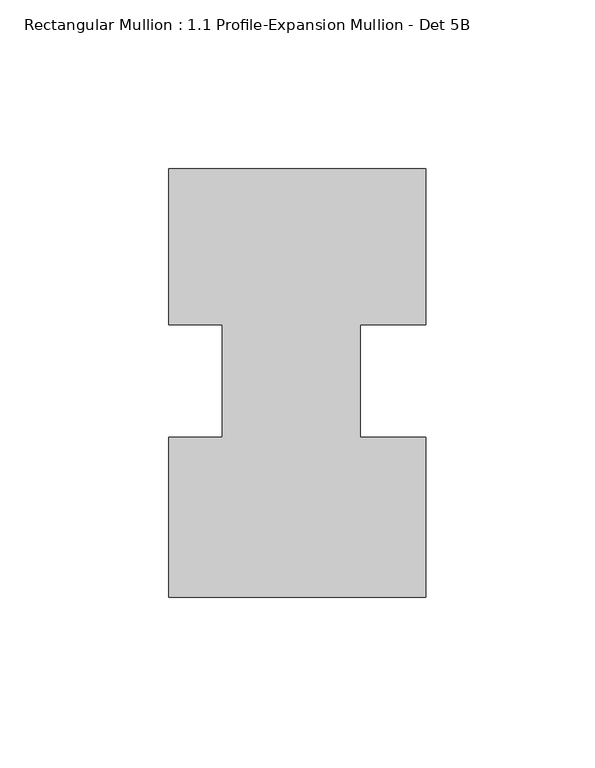
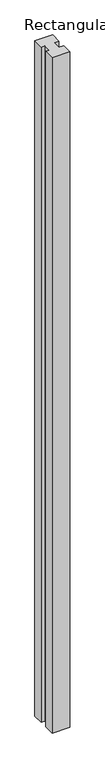
"""IFC4 building model written with IfcOpenShell, lengths in millimetres: member geometry, Rectangular Mullion : 1.1 Profile-Expansion Mullion - Det 5B."""

import ifcopenshell
import ifcopenshell.guid

model = None  # the IFC model being written
_history = None  # IfcOwnerHistory: only IFC2X3 demands one
_inside = {}  # id of a spatial element -> (the spatial element, [elements in it])
_under = {}  # id of a project, library or spatial element -> (it, [spatial elements below it])
_declared = {}  # id of a project -> (the project, [libraries it declares])
_typed = {}  # id of a type object -> (the type object, [elements of that type])
_made_of = {}  # id of a material, layer set ... -> (it, [elements and type objects made of it])


def new_model(schema):
    """Start an empty IFC model of exactly this schema.

    Asked for "IFC4X3", IfcOpenShell would pick the latest addendum, in which some entities
    have other attributes; the version numbers below select the first issue.
    IFC2X3 requires an IfcOwnerHistory on every rooted entity: one is made here for all.
    """
    global model, _history
    if schema == "IFC4X3":
        model = ifcopenshell.file(schema_version=(4, 3, 0, 0))
    else:
        model = ifcopenshell.file(schema=schema)
    _inside.clear()
    _under.clear()
    _declared.clear()
    _typed.clear()
    _made_of.clear()
    _history = None
    if model.schema == "IFC2X3":
        org = make("IfcOrganization", Name="unknown")
        user = make(
            "IfcPersonAndOrganization",
            ThePerson=make("IfcPerson", FamilyName="unknown"),
            TheOrganization=org,
        )
        app = make(
            "IfcApplication",
            ApplicationDeveloper=org,
            Version="unknown",
            ApplicationFullName="unknown",
            ApplicationIdentifier="unknown",
        )
        _history = make(
            "IfcOwnerHistory",
            OwningUser=user,
            OwningApplication=app,
            ChangeAction="ADDED",
            CreationDate=0,
        )
    return model


def make(cls, **values):
    """One entity of the class cls with the attributes given. An attribute that is None is left unset."""
    return model.create_entity(
        cls, **{name: value for name, value in values.items() if value is not None}
    )


def rooted(cls, **values):
    """An entity with a GlobalId (a new one), such as an element, a storey or a relation."""
    return make(cls, GlobalId=ifcopenshell.guid.new(), OwnerHistory=_history, **values)


def si_unit(unit_type, name, prefix=None):
    """IfcSIUnit, for example si_unit("LENGTHUNIT", "METRE", prefix="MILLI")."""
    return make("IfcSIUnit", UnitType=unit_type, Prefix=prefix, Name=name)


def assignment(units):
    """IfcUnitAssignment: the units of a project."""
    return None if units is None else make("IfcUnitAssignment", Units=units)


def point(xyz):
    """IfcCartesianPoint."""
    return None if xyz is None else make("IfcCartesianPoint", Coordinates=xyz)


def direction(xyz):
    """IfcDirection."""
    return None if xyz is None else make("IfcDirection", DirectionRatios=xyz)


def frame(location, z_axis=None, x_axis=None):
    """IfcAxis2Placement3D, a coordinate frame: its origin and axes. An axis left out is left unset."""
    return make(
        "IfcAxis2Placement3D",
        Location=point(location),
        Axis=direction(z_axis),
        RefDirection=direction(x_axis),
    )


def origin():
    """The frame at (0, 0, 0) with its axes left unset."""
    return frame((0.0, 0.0, 0.0))


def place(relative_to, where):
    """IfcLocalPlacement: puts the frame where relative to a parent placement (None: the world)."""
    return make(
        "IfcLocalPlacement", PlacementRelTo=relative_to, RelativePlacement=where
    )


def context(
    kind, dimensions, precision=None, world=None, true_north=None, identifier=None
):
    """IfcGeometricRepresentationContext, for example the 3D "Model" context."""
    return make(
        "IfcGeometricRepresentationContext",
        ContextIdentifier=identifier,
        ContextType=kind,
        CoordinateSpaceDimension=dimensions,
        Precision=precision,
        WorldCoordinateSystem=world,
        TrueNorth=true_north,
    )


def project(units=None, contexts=None):
    """IfcProject with its units and contexts."""
    return rooted(
        "IfcProject",
        Name="project",
        RepresentationContexts=contexts,
        UnitsInContext=assignment(units),
    )


def spatial(cls, under=None, at=None, **own):
    """A site, building, storey or space (cls), placed at a placement, below another one or the project."""
    s = rooted(cls, ObjectPlacement=at, **own)
    if under is not None:
        _under.setdefault(under.id(), (under, []))[1].append(s)
    return s


def polyline(points):
    """IfcPolyline through the points."""
    return make("IfcPolyline", Points=[point(p) for p in points])


def outline(outer, holes=None, kind="AREA"):
    """IfcArbitraryClosedProfileDef: a profile drawn as a closed curve; with holes, ...WithVoids."""
    if holes is None:
        return make("IfcArbitraryClosedProfileDef", ProfileType=kind, OuterCurve=outer)
    return make(
        "IfcArbitraryProfileDefWithVoids",
        ProfileType=kind,
        OuterCurve=outer,
        InnerCurves=holes,
    )


def extrude(swept, where, along, depth):
    """IfcExtrudedAreaSolid: the profile swept, set in the frame where, extruded along a direction by depth."""
    return make(
        "IfcExtrudedAreaSolid",
        SweptArea=swept,
        Position=where,
        ExtrudedDirection=direction(along),
        Depth=depth,
    )


def shape(context_of_items, identifier, shape_type, items):
    """IfcShapeRepresentation: the items that make up one representation, for example the "Body"."""
    return make(
        "IfcShapeRepresentation",
        ContextOfItems=context_of_items,
        RepresentationIdentifier=identifier,
        RepresentationType=shape_type,
        Items=items,
    )


def source(mapping_origin, context_of_items, identifier, shape_type, items):
    """IfcRepresentationMap: a shape defined once, which mapped items show again and again."""
    return make(
        "IfcRepresentationMap",
        MappingOrigin=mapping_origin,
        MappedRepresentation=shape(context_of_items, identifier, shape_type, items),
    )


def transform(
    local_origin,
    x_axis=None,
    y_axis=None,
    z_axis=None,
    scale=None,
    scale2=None,
    scale3=None,
    uniform=True,
):
    """IfcCartesianTransformationOperator3D, or its non-uniform kind. x_axis, y_axis, z_axis: its Axis1, 2, 3."""
    if uniform:
        return make(
            "IfcCartesianTransformationOperator3D",
            Axis1=direction(x_axis),
            Axis2=direction(y_axis),
            LocalOrigin=point(local_origin),
            Scale=scale,
            Axis3=direction(z_axis),
        )
    return make(
        "IfcCartesianTransformationOperator3DnonUniform",
        Axis1=direction(x_axis),
        Axis2=direction(y_axis),
        LocalOrigin=point(local_origin),
        Scale=scale,
        Axis3=direction(z_axis),
        Scale2=scale2,
        Scale3=scale3,
    )


def mapped(mapping_source, mapping_target):
    """IfcMappedItem: shows the shape of a source again, moved by a transform."""
    return make(
        "IfcMappedItem", MappingSource=mapping_source, MappingTarget=mapping_target
    )


def made_of(thing, what):
    """Note that an element or type object is made of a material, layer set ...; save() writes the relation."""
    if what is not None:
        _made_of.setdefault(what.id(), (what, []))[1].append(thing)
    return thing


def element(
    cls,
    number,
    at=None,
    inside=None,
    cuts=None,
    type_object=None,
    material=None,
    context=None,
    identifier="Body",
    shape_type=None,
    held_by="IfcProductDefinitionShape",
    body=None,
    shapes=None,
    **own,
):
    """One element of the class cls, such as IfcWall. Its Tag is "e" and its number.

    at: its placement. inside: the storey or other place that contains it. cuts: it is an
    opening in that element (IfcRelVoidsElement). A single representation is given by context,
    identifier, shape_type and body (its items); several are given by shapes. held_by: the class
    of the entity that holds the representations. save() writes the other relations.
    """
    e = rooted(cls, Tag="e%d" % number, ObjectPlacement=at, **own)
    if body is not None:
        shapes = [shape(context, identifier, shape_type, body)]
    if shapes is not None:
        e.Representation = make(held_by, Representations=shapes)
    if inside is not None:
        _inside.setdefault(inside.id(), (inside, []))[1].append(e)
    if cuts is not None:
        rooted(
            "IfcRelVoidsElement", RelatingBuildingElement=cuts, RelatedOpeningElement=e
        )
    if type_object is not None:
        _typed.setdefault(type_object.id(), (type_object, []))[1].append(e)
    return made_of(e, material)


def aggregate(whole, parts):
    """IfcRelAggregates: a whole, such as a stair, and the parts it consists of."""
    return rooted("IfcRelAggregates", RelatingObject=whole, RelatedObjects=parts)


def save(model, path):
    """Write the relations noted so far, then the file.

    IfcRelAggregates (storeys below a building ...), IfcRelContainedInSpatialStructure (elements
    in a storey), IfcRelDefinesByType, IfcRelAssociatesMaterial and IfcRelDeclares: one each for
    every whole, place, type object, material and project.
    """
    for whole, parts in _under.values():
        aggregate(whole, parts)
    for where, things in _inside.values():
        rooted(
            "IfcRelContainedInSpatialStructure",
            RelatedElements=things,
            RelatingStructure=where,
        )
    for kind, things in _typed.values():
        rooted("IfcRelDefinesByType", RelatedObjects=things, RelatingType=kind)
    for what, things in _made_of.values():
        rooted("IfcRelAssociatesMaterial", RelatedObjects=things, RelatingMaterial=what)
    for by, libraries in _declared.values():
        rooted("IfcRelDeclares", RelatingContext=by, RelatedDefinitions=libraries)
    model.write(path)


def rectangular_mullion_1_1_profile_expansion_mullion_det_5b_1ea5d3fa(model_context):
    return source(origin(), model_context, "Body", "SweptSolid", [
        extrude(outline(polyline([(0.0, -58.411345), (-76.1746, -58.411345), (-76.1746, -10.9288699), (-60.2996, -10.9288699), (-60.2996, 22.3512492), (-76.1746, 22.3512492), (-76.1746, 68.588655), (0.0, 68.588655), (0.0, 22.4008586), (-19.431, 22.4008586), (-19.431, -10.9288699), (0.0, -10.9288699), (0.0, -58.411345)])), frame((0.0, 0.0, -3048.0), z_axis=(0.0, 0.0, 1.0), x_axis=(1.0, 0.0, 0.0)), (0.0, 0.0, 1.0), 3048.0),
    ])


if __name__ == "__main__":
    model = new_model("IFC4")
    model_context = context("Model", 3, world=origin())
    ifc_project = project(units=[si_unit("LENGTHUNIT", "METRE", prefix="MILLI")], contexts=[model_context])
    site = spatial("IfcSite", under=ifc_project)
    building = spatial("IfcBuilding", under=site)
    placement = place(None, origin())
    rectangular_mullion_1_1_profile_expansion_mullion_det_5b_shape = rectangular_mullion_1_1_profile_expansion_mullion_det_5b_1ea5d3fa(model_context)
    element("IfcMember", 1, ObjectType="Rectangular Mullion : 1.1 Profile-Expansion Mullion - Det 5B", at=placement, inside=building, context=model_context, shape_type="MappedRepresentation", body=[
        mapped(rectangular_mullion_1_1_profile_expansion_mullion_det_5b_shape, transform((0.0, 0.0, 0.0), x_axis=(1.0, 0.0, 0.0), y_axis=(0.0, 1.0, 0.0), z_axis=(0.0, 0.0, 1.0))),
    ])
    save(model, "model.ifc")
